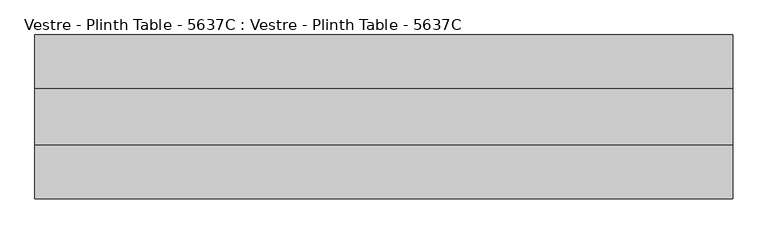
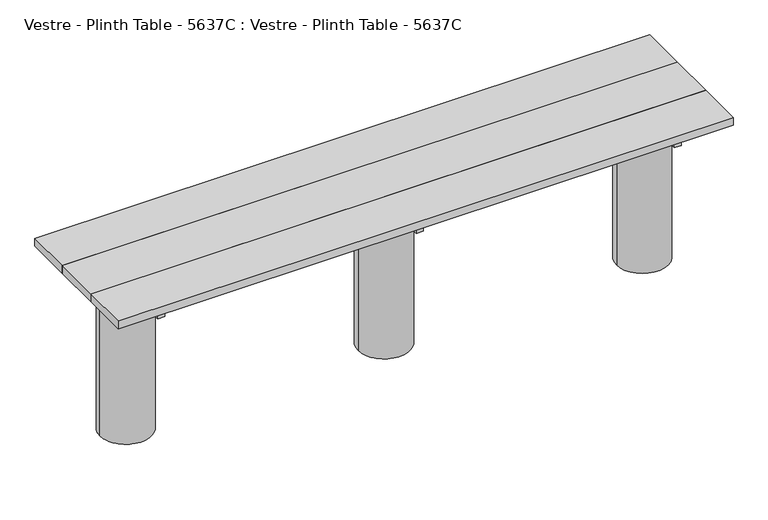
"""IFC4 building model written with IfcOpenShell, lengths in millimetres: furniture geometry, Vestre - Plinth Table - 5637C : Vestre - Plinth Table - 5637C."""

from ifc_helpers import new_model, si_unit, frame, origin, place, context, project, spatial, polyline, circle_curve, outline, extrude, source, transform, mapped, element, save
from ifc_brep_helpers import plane_surface, cylinder_surface, advanced_brep


def vestre_plinth_table_5637c_vestre_plinth_table_5637c_44b9d390(model_context):
    return source(origin(), model_context, "Body", "SolidModel", [
        extrude(outline(polyline([(1116.0, -483.0002308), (1085.9816865, -483.0002308), (1085.9816865, 43.000233), (1116.0, 43.000233), (1116.0, -483.0002308)])), frame((0.0, 0.0, 654.9999847), z_axis=(0.0, 0.0, 1.0), x_axis=(1.0, 0.0, 0.0)), (0.0, 0.0, 1.0), 50.0),
        extrude(outline(polyline([(-1085.9816865, -483.0002308), (-1116.0, -483.0002308), (-1116.0, 43.000233), (-1085.9816865, 43.000233), (-1085.9816865, -483.0002308)])), frame((0.0, 0.0, 654.9999847), z_axis=(0.0, 0.0, 1.0), x_axis=(1.0, 0.0, 0.0)), (0.0, 0.0, 1.0), 50.0),
        extrude(outline(polyline([(15.0005464, -483.0002308), (-15.0177671, -483.0002308), (-15.0177671, 43.000233), (15.0005464, 43.000233), (15.0005464, -483.0002308)])), frame((0.0, 0.0, 654.9999847), z_axis=(0.0, 0.0, 1.0), x_axis=(1.0, 0.0, 0.0)), (0.0, 0.0, 1.0), 50.0),
        extrude(outline(polyline([(1310.5001055, -114.9999989), (1310.5001055, -324.9999989), (-1310.5001055, -324.9999989), (-1310.5001055, -114.9999989), (1310.5001055, -114.9999989)])), frame((0.0, 0.0, 704.9999847), z_axis=(0.0, 0.0, 1.0), x_axis=(1.0, 0.0, 0.0)), (0.0, 0.0, 1.0), 35.0000153),
        extrude(outline(polyline([(1089.0001055, -202.4998463), (1089.0001055, -237.5001515), (-1089.0001055, -237.5001515), (-1089.0001055, -202.4998463), (1089.0001055, -202.4998463)])), frame((0.0, 0.0, 564.9999847), z_axis=(0.0, 0.0, 1.0), x_axis=(1.0, 0.0, 0.0)), (0.0, 0.0, 1.0), 90.0),
        extrude(outline(polyline([(1310.5001055, 87.500233), (1310.5001055, -114.9999989), (-1310.5001055, -114.9999989), (-1310.5001055, 87.500233), (1310.5001055, 87.500233)])), frame((0.0, 0.0, 704.9999847), z_axis=(0.0, 0.0, 1.0), x_axis=(1.0, 0.0, 0.0)), (0.0, 0.0, 1.0), 35.0000153),
        extrude(outline(polyline([(1310.5001055, -324.9999989), (1310.5001055, -527.5002308), (-1310.5001055, -527.5002308), (-1310.5001055, -324.9999989), (1310.5001055, -324.9999989)])), frame((0.0, 0.0, 704.9999847), z_axis=(0.0, 0.0, 1.0), x_axis=(1.0, 0.0, 0.0)), (0.0, 0.0, 1.0), 35.0000153),
        advanced_brep(
        [(108.1777507, -202.4998463, 654.9999847), (-108.1777507, -202.4998463, 654.9999847), (-108.1777507, -237.5001515, 654.9999847), (108.1777507, -237.5001515, 654.9999847), (109.5841279, -219.9999989, 0.0), (-109.5841279, -219.9999989, 0.0), (109.5841279, -219.9999989, 564.9999847), (108.1777507, -237.5001515, 564.9999847), (-108.1777507, -237.5001515, 564.9999847), (-109.5841279, -219.9999989, 564.9999847), (-108.1777507, -202.4998463, 564.9999847), (108.1777507, -202.4998463, 564.9999847)],
        [
            (0, 1, circle_curve(frame((0.0, -219.9999989, 654.9999847), z_axis=(0.0, 0.0, 1.0), x_axis=(-1.0, 0.0, 0.0)), 109.5841279)),
            (1, 0),
            (2, 3, circle_curve(frame((0.0, -219.9999989, 654.9999847), z_axis=(0.0, 0.0, 1.0), x_axis=(-1.0, 0.0, 0.0)), 109.5841279)),
            (3, 2),
            (4, 5, circle_curve(frame((0.0, -219.9999989, 0.0), z_axis=(0.0, 0.0, -1.0), x_axis=(-1.0, 0.0, 0.0)), 109.5841279)),
            (5, 4, circle_curve(frame((0.0, -219.9999989, 0.0), z_axis=(0.0, 0.0, -1.0), x_axis=(-1.0, 0.0, 0.0)), 109.5841279)),
            (4, 6),
            (6, 7, circle_curve(frame((0.0, -219.9999989, 564.9999847), z_axis=(0.0, 0.0, -1.0), x_axis=(-1.0, 0.0, 0.0)), 109.5841279)),
            (7, 3),
            (2, 8),
            (8, 9, circle_curve(frame((0.0, -219.9999989, 564.9999847), z_axis=(0.0, 0.0, -1.0), x_axis=(-1.0, 0.0, 0.0)), 109.5841279)),
            (9, 5),
            (9, 10, circle_curve(frame((0.0, -219.9999989, 564.9999847), z_axis=(0.0, 0.0, -1.0), x_axis=(-1.0, 0.0, 0.0)), 109.5841279)),
            (10, 1),
            (0, 11),
            (11, 6, circle_curve(frame((0.0, -219.9999989, 564.9999847), z_axis=(0.0, 0.0, -1.0), x_axis=(-1.0, 0.0, 0.0)), 109.5841279)),
            (11, 10),
            (8, 7),
        ],
        [
            plane_surface(frame((-109.5841279, -219.9999989, 654.9999847), z_axis=(0.0, 0.0, 1.0), x_axis=(0.0, -1.0, 0.0))),
            plane_surface(frame((-109.5841279, -219.9999989, 0.0), z_axis=(0.0, 0.0, -1.0), x_axis=(0.0, 1.0, 0.0))),
            cylinder_surface(frame((0.0, -219.9999989, 0.0), z_axis=(0.0, 0.0, 1.0), x_axis=(-1.0, 0.0, 0.0)), 109.5841279),
            plane_surface(frame((-130.5005464, -202.4998463, 564.9999847), z_axis=(0.0, 0.0, 1.0), x_axis=(1.0, 0.0, 0.0))),
            plane_surface(frame((-130.5005464, -202.4998463, 654.9999847), z_axis=(0.0, -1.0, 0.0), x_axis=(1.0, 0.0, 0.0))),
            plane_surface(frame((-130.5005464, -237.5001515, 564.9999847), z_axis=(0.0, 1.0, 0.0), x_axis=(1.0, 0.0, 0.0))),
        ],
        [
            (0, [[1, 2]]),
            (0, [[3, 4]]),
            (1, [[5, 6]]),
            (2, [[-5, 7, 8, 9, -3, 10, 11, 12]]),
            (2, [[-6, -12, 13, 14, -1, 15, 16, -7]]),
            (3, [[17, -13, -11, 18, -8, -16]]),
            (4, [[-17, -15, -2, -14]]),
            (5, [[-18, -10, -4, -9]]),
        ],
    ),
        advanced_brep(
        [(1210.5835815, -219.9999989, 654.9999847), (992.8217029, -202.4998463, 654.9999847), (1089.0010928, -202.4998463, 654.9999847), (1089.0010928, -237.5001515, 654.9999847), (992.8217029, -237.5001515, 654.9999847), (1210.5835815, -219.9999989, 0.0), (991.4153257, -219.9999989, 0.0), (992.8217029, -237.5001515, 564.9999847), (991.4153257, -219.9999989, 564.9999847), (992.8217029, -202.4998463, 564.9999847), (1089.0010928, -237.5001515, 564.9999847), (1089.0010928, -202.4998463, 564.9999847)],
        [
            (0, 1, circle_curve(frame((1100.9994536, -219.9999989, 654.9999847), z_axis=(0.0, 0.0, 1.0), x_axis=(-1.0, 0.0, 0.0)), 109.5841279)),
            (1, 2),
            (2, 3),
            (3, 4),
            (4, 0, circle_curve(frame((1100.9994536, -219.9999989, 654.9999847), z_axis=(0.0, 0.0, 1.0), x_axis=(-1.0, 0.0, 0.0)), 109.5841279)),
            (5, 6, circle_curve(frame((1100.9994536, -219.9999989, 0.0), z_axis=(0.0, 0.0, -1.0), x_axis=(-1.0, 0.0, 0.0)), 109.5841279)),
            (6, 5, circle_curve(frame((1100.9994536, -219.9999989, 0.0), z_axis=(0.0, 0.0, -1.0), x_axis=(-1.0, 0.0, 0.0)), 109.5841279)),
            (5, 0),
            (4, 7),
            (7, 8, circle_curve(frame((1100.9994536, -219.9999989, 564.9999847), z_axis=(0.0, 0.0, -1.0), x_axis=(-1.0, 0.0, 0.0)), 109.5841279)),
            (8, 6),
            (8, 9, circle_curve(frame((1100.9994536, -219.9999989, 564.9999847), z_axis=(0.0, 0.0, -1.0), x_axis=(-1.0, 0.0, 0.0)), 109.5841279)),
            (9, 1),
            (10, 3),
            (2, 11),
            (11, 10),
            (11, 9),
            (7, 10),
        ],
        [
            plane_surface(frame((991.4153257, -219.9999989, 654.9999847), z_axis=(0.0, 0.0, 1.0), x_axis=(0.0, -1.0, 0.0))),
            plane_surface(frame((991.4153257, -219.9999989, 0.0), z_axis=(0.0, 0.0, -1.0), x_axis=(0.0, 1.0, 0.0))),
            cylinder_surface(frame((1100.9994536, -219.9999989, 0.0), z_axis=(0.0, 0.0, 1.0), x_axis=(-1.0, 0.0, 0.0)), 109.5841279),
            plane_surface(frame((1089.0010928, -237.5001515, 564.9999847), z_axis=(-1.0, 0.0, 0.0), x_axis=(0.0, 0.0, -1.0))),
            plane_surface(frame((970.5005464, -202.4998463, 564.9999847), z_axis=(0.0, 0.0, 1.0), x_axis=(1.0, 0.0, 0.0))),
            plane_surface(frame((970.5005464, -202.4998463, 654.9999847), z_axis=(0.0, -1.0, 0.0), x_axis=(1.0, 0.0, 0.0))),
            plane_surface(frame((970.5005464, -237.5001515, 564.9999847), z_axis=(0.0, 1.0, 0.0), x_axis=(1.0, 0.0, 0.0))),
        ],
        [
            (0, [[1, 2, 3, 4, 5]]),
            (1, [[6, 7]]),
            (2, [[-6, 8, -5, 9, 10, 11]]),
            (2, [[-7, -11, 12, 13, -1, -8]]),
            (3, [[14, -3, 15, 16]]),
            (4, [[-16, 17, -12, -10, 18]]),
            (5, [[-15, -2, -13, -17]]),
            (6, [[-14, -18, -9, -4]]),
        ],
    ),
        advanced_brep(
        [(-1210.5835815, -219.9999989, 654.9999847), (-992.8217029, -237.5001515, 654.9999847), (-1089.0010928, -237.5001515, 654.9999847), (-1089.0010928, -202.4998463, 654.9999847), (-992.8217029, -202.4998463, 654.9999847), (-1210.5835815, -219.9999989, 0.0), (-991.4153257, -219.9999989, 0.0), (-991.4153257, -219.9999989, 564.9999847), (-992.8217029, -237.5001515, 564.9999847), (-992.8217029, -202.4998463, 564.9999847), (-1089.0010928, -237.5001515, 564.9999847), (-1089.0010928, -202.4998463, 564.9999847)],
        [
            (0, 1, circle_curve(frame((-1100.9994536, -219.9999989, 654.9999847), z_axis=(0.0, 0.0, 1.0), x_axis=(1.0, 0.0, 0.0)), 109.5841279)),
            (1, 2),
            (2, 3),
            (3, 4),
            (4, 0, circle_curve(frame((-1100.9994536, -219.9999989, 654.9999847), z_axis=(0.0, 0.0, 1.0), x_axis=(1.0, 0.0, 0.0)), 109.5841279)),
            (5, 6, circle_curve(frame((-1100.9994536, -219.9999989, 0.0), z_axis=(0.0, 0.0, -1.0), x_axis=(1.0, 0.0, 0.0)), 109.5841279)),
            (6, 5, circle_curve(frame((-1100.9994536, -219.9999989, 0.0), z_axis=(0.0, 0.0, -1.0), x_axis=(1.0, 0.0, 0.0)), 109.5841279)),
            (6, 7),
            (7, 8, circle_curve(frame((-1100.9994536, -219.9999989, 564.9999847), z_axis=(0.0, 0.0, -1.0), x_axis=(1.0, 0.0, 0.0)), 109.5841279)),
            (8, 1),
            (0, 5),
            (4, 9),
            (9, 7, circle_curve(frame((-1100.9994536, -219.9999989, 564.9999847), z_axis=(0.0, 0.0, -1.0), x_axis=(1.0, 0.0, 0.0)), 109.5841279)),
            (10, 11),
            (11, 3),
            (2, 10),
            (10, 8),
            (9, 11),
        ],
        [
            plane_surface(frame((-991.4153257, -219.9999989, 654.9999847), z_axis=(0.0, 0.0, 1.0), x_axis=(0.0, 1.0, 0.0))),
            plane_surface(frame((-991.4153257, -219.9999989, 0.0), z_axis=(0.0, 0.0, -1.0), x_axis=(0.0, -1.0, 0.0))),
            cylinder_surface(frame((-1100.9994536, -219.9999989, 0.0), z_axis=(0.0, 0.0, 1.0), x_axis=(1.0, 0.0, 0.0)), 109.5841279),
            plane_surface(frame((-1089.0010928, -202.4998463, 564.9999847), z_axis=(1.0, 0.0, 0.0), x_axis=(0.0, -1.0, 0.0))),
            plane_surface(frame((-970.5005464, -237.5001515, 564.9999847), z_axis=(0.0, 0.0, 1.0), x_axis=(-1.0, 0.0, 0.0))),
            plane_surface(frame((-970.5005464, -202.4998463, 564.9999847), z_axis=(0.0, -1.0, 0.0), x_axis=(-1.0, 0.0, 0.0))),
            plane_surface(frame((-970.5005464, -237.5001515, 654.9999847), z_axis=(0.0, 1.0, 0.0), x_axis=(-1.0, 0.0, 0.0))),
        ],
        [
            (0, [[1, 2, 3, 4, 5]]),
            (1, [[6, 7]]),
            (2, [[-7, 8, 9, 10, -1, 11]]),
            (2, [[-6, -11, -5, 12, 13, -8]]),
            (3, [[14, 15, -3, 16]]),
            (4, [[-14, 17, -9, -13, 18]]),
            (5, [[-15, -18, -12, -4]]),
            (6, [[-16, -2, -10, -17]]),
        ],
    ),
    ])


if __name__ == "__main__":
    model = new_model("IFC4")
    model_context = context("Model", 3, world=origin())
    ifc_project = project(units=[si_unit("LENGTHUNIT", "METRE", prefix="MILLI")], contexts=[model_context])
    site = spatial("IfcSite", under=ifc_project)
    building = spatial("IfcBuilding", under=site)
    placement = place(None, origin())
    vestre_plinth_table_5637c_vestre_plinth_table_5637c_shape = vestre_plinth_table_5637c_vestre_plinth_table_5637c_44b9d390(model_context)
    element("IfcFurniture", 1, ObjectType="Vestre - Plinth Table - 5637C : Vestre - Plinth Table - 5637C", at=placement, inside=building, context=model_context, shape_type="MappedRepresentation", body=[
        mapped(vestre_plinth_table_5637c_vestre_plinth_table_5637c_shape, transform((0.0, 0.0, 0.0), x_axis=(1.0, 0.0, 0.0), y_axis=(0.0, 1.0, 0.0), z_axis=(0.0, 0.0, 1.0))),
    ])
    save(model, "model.ifc")
